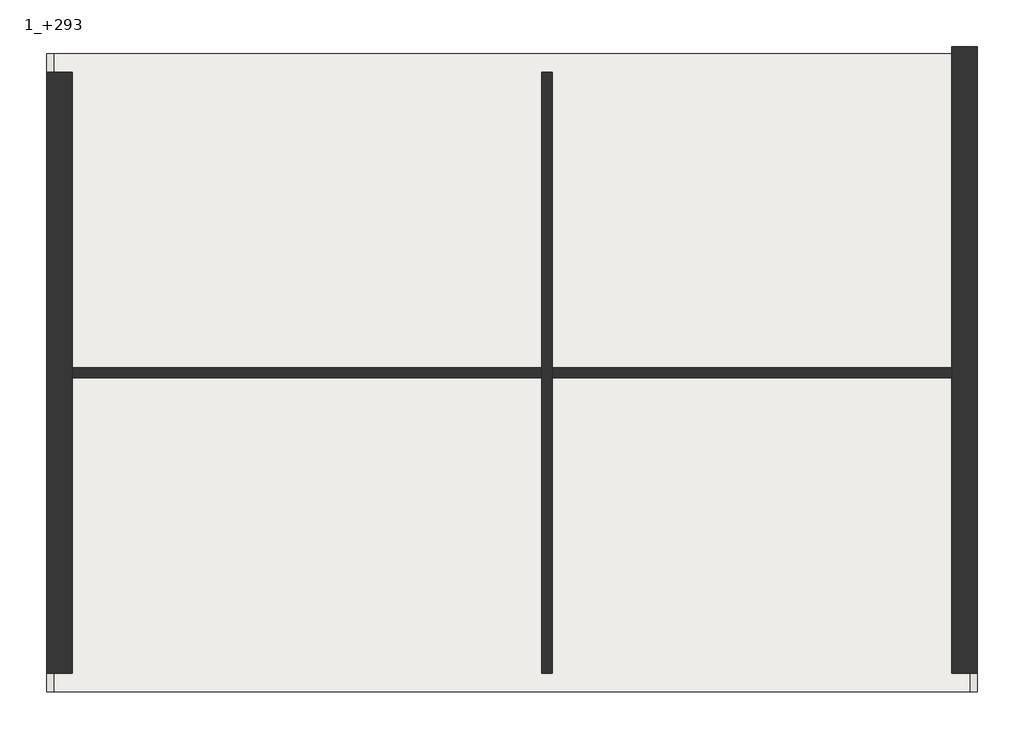
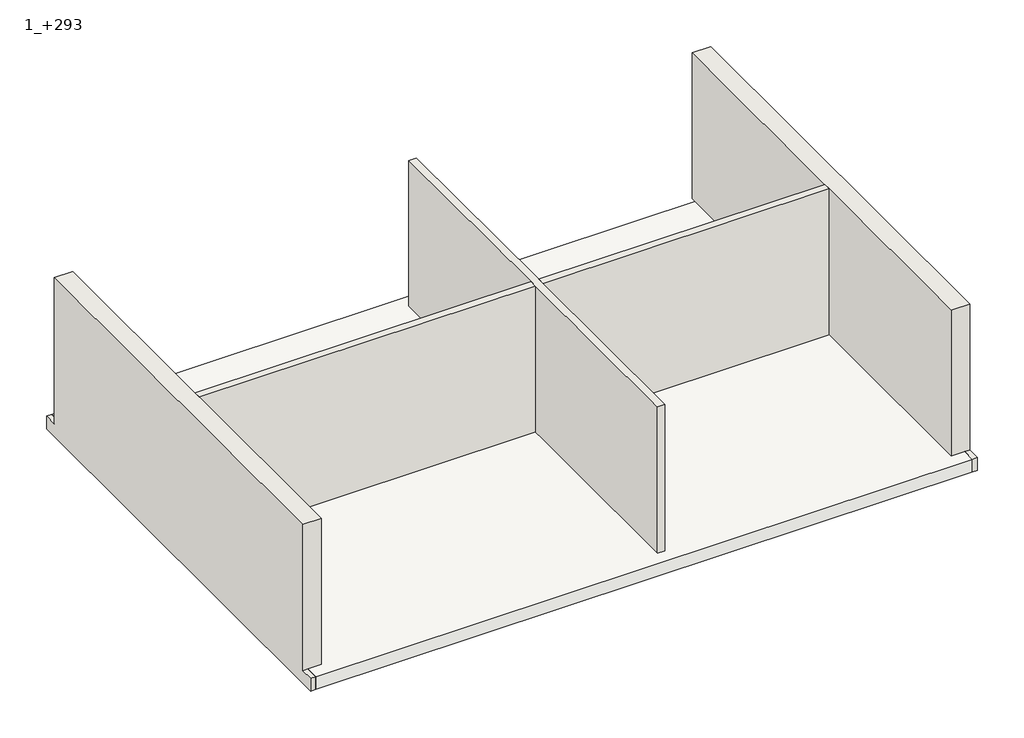
# One storey: 4 walls, 1 slab.
"""IFC4 building model written with IfcOpenShell, lengths in millimetres."""

from ifc_helpers import new_model, si_unit, frame, origin, place, context, project, spatial, polyline, outline, extrude, faceted_brep, element, save

model = new_model("IFC4")

# Units and contexts
model_context = context("Model", 3, world=origin())
ifc_project = project(units=[si_unit("LENGTHUNIT", "METRE", prefix="MILLI")], contexts=[model_context])

# Site, building, storey
site = spatial("IfcSite", under=ifc_project)
building = spatial("IfcBuilding", under=site)
storey = spatial("IfcBuildingStorey", under=building, Name="1_+293", Elevation=2930.0)

# Slab
placement = place(None, origin())
element("IfcSlab", 1, ObjectType="Floor_27", at=placement, inside=storey, context=model_context, shape_type="SweptSolid", body=[
    extrude(outline(polyline([(9636.1680841, 11934.6977103), (9636.1680841, 2764.6977103), (-3533.8319159, 2764.6977103), (-3533.8319159, 11934.6977103), (9636.1680841, 11934.6977103)])), frame((0.0, 0.0, 2660.0), z_axis=(0.0, 0.0, 1.0), x_axis=(1.0, 0.0, 0.0)), (0.0, 0.0, 1.0), 270.0),
])

# Walls
element("IfcWall", 2, ObjectType="Wall_Ext_37cm", at=placement, inside=storey, context=model_context, shape_type="Brep", body=[
    faceted_brep([(9736.1680841, 12034.6977103, 6030.0), (9736.1680841, 3034.6977103, 6030.0), (9736.1680841, 3034.6977103, 2930.0), (9736.1680841, 2764.6977103, 2930.0), (9736.1680841, 2764.6977103, 2660.0), (9736.1680841, 12034.6977103, 2660.0), (9366.1680841, 12034.6977103, 2930.0), (9366.1680841, 11664.6977103, 2930.0), (9366.1680841, 7424.6977103, 2930.0), (9366.1680841, 7274.6977103, 2930.0), (9366.1680841, 3034.6977103, 2930.0), (9366.1680841, 3034.6977103, 6030.0), (9366.1680841, 7274.6977103, 6030.0), (9366.1680841, 7424.6977103, 6030.0), (9366.1680841, 11664.6977103, 6030.0), (9366.1680841, 12034.6977103, 6030.0), (9636.1680841, 12034.6977103, 2930.0), (9636.1680841, 11934.6977103, 2930.0), (9636.1680841, 3034.6977103, 2930.0), (9636.1680841, 12034.6977103, 2660.0), (9636.1680841, 11934.6977103, 2660.0), (9636.1680841, 2764.6977103, 2660.0), (9636.1680841, 2764.6977103, 2930.0)], [[[0, 1, 2, 3, 4, 5]], [[6, 7, 8, 9, 10, 11, 12, 13, 14, 15]], [[1, 0, 15, 14, 13, 12, 11]], [[10, 9, 8, 7, 6, 16, 17, 18]], [[1, 11, 10, 18, 2]], [[0, 5, 19, 16, 6, 15]], [[18, 17, 16, 19, 20, 21, 22]], [[5, 4, 21, 20, 19]], [[3, 2, 18, 22]], [[21, 4, 3, 22]]]),
])
element("IfcWall", 3, ObjectType="Wall_Ext_37cm", at=placement, inside=storey, context=model_context, shape_type="Brep", body=[
    faceted_brep([(-3633.8319159, 3034.6977103, 6030.0), (-3633.8319159, 11664.6977103, 6030.0), (-3633.8319159, 11664.6977103, 2930.0), (-3633.8319159, 11934.6977103, 2930.0), (-3633.8319159, 11934.6977103, 2660.0), (-3633.8319159, 2764.6977103, 2660.0), (-3633.8319159, 2764.6977103, 2930.0), (-3633.8319159, 3034.6977103, 2930.0), (-3263.8319159, 3034.6977103, 2930.0), (-3263.8319159, 7274.6977103, 2930.0), (-3263.8319159, 7424.6977103, 2930.0), (-3263.8319159, 11664.6977103, 2930.0), (-3263.8319159, 11664.6977103, 6030.0), (-3263.8319159, 7424.6977103, 6030.0), (-3263.8319159, 7274.6977103, 6030.0), (-3263.8319159, 3034.6977103, 6030.0), (-3533.8319159, 3034.6977103, 2930.0), (-3533.8319159, 11664.6977103, 2930.0), (-3533.8319159, 2764.6977103, 2930.0), (-3533.8319159, 2764.6977103, 2660.0), (-3533.8319159, 11934.6977103, 2660.0), (-3533.8319159, 11934.6977103, 2930.0)], [[[0, 1, 2, 3, 4, 5, 6, 7]], [[8, 9, 10, 11, 12, 13, 14, 15]], [[1, 0, 15, 14, 13, 12]], [[11, 10, 9, 8, 16, 17]], [[17, 16, 18, 19, 20, 21]], [[20, 19, 5, 4]], [[8, 15, 0, 7, 16]], [[1, 12, 11, 17, 2]], [[18, 16, 7, 6]], [[5, 19, 18, 6]], [[3, 2, 17, 21]], [[20, 4, 3, 21]]]),
])
element("IfcWall", 4, ObjectType="Wall_Int_15 cm", at=placement, inside=storey, context=model_context, shape_type="Brep", body=[
    faceted_brep([(3476.1680841, 11664.6977103, 2930.0), (3476.1680841, 7424.6977103, 2930.0), (3476.1680841, 7274.6977103, 2930.0), (3476.1680841, 3034.6977103, 2930.0), (3476.1680841, 3034.6977103, 6030.0), (3476.1680841, 7274.6977103, 6030.0), (3476.1680841, 7424.6977103, 6030.0), (3476.1680841, 11664.6977103, 6030.0), (3626.1680841, 11664.6977103, 2930.0), (3626.1680841, 11664.6977103, 6030.0), (3626.1680841, 7424.6977103, 6030.0), (3626.1680841, 7274.6977103, 6030.0), (3626.1680841, 3034.6977103, 6030.0), (3626.1680841, 3034.6977103, 2930.0), (3626.1680841, 7274.6977103, 2930.0), (3626.1680841, 7424.6977103, 2930.0)], [[[0, 1, 2, 3, 4, 5, 6, 7]], [[8, 9, 10, 11, 12, 13, 14, 15]], [[3, 2, 1, 0, 8, 15, 14, 13]], [[7, 6, 5, 4, 12, 11, 10, 9]], [[4, 3, 13, 12]], [[0, 7, 9, 8]]]),
])
element("IfcWall", 5, ObjectType="Wall_Int_15 cm", at=placement, inside=storey, context=model_context, shape_type="Brep", body=[
    faceted_brep([(9366.1680841, 7424.6977103, 6030.0), (9366.1680841, 7424.6977103, 2930.0), (3626.1680841, 7424.6977103, 2930.0), (3626.1680841, 7424.6977103, 6030.0), (9366.1680841, 7274.6977103, 2930.0), (9366.1680841, 7274.6977103, 6030.0), (3626.1680841, 7274.6977103, 6030.0), (3626.1680841, 7274.6977103, 2930.0)], [[[0, 1, 2, 3]], [[4, 5, 6, 7]], [[1, 4, 7, 2]], [[5, 0, 3, 6]], [[1, 0, 5, 4]], [[3, 2, 7, 6]]]),
    faceted_brep([(-3263.8319159, 7424.6977103, 2930.0), (-3263.8319159, 7424.6977103, 3100.0), (-3263.8319159, 7424.6977103, 6030.0), (3476.1680841, 7424.6977103, 6030.0), (3476.1680841, 7424.6977103, 3100.0), (3476.1680841, 7424.6977103, 2930.0), (-3263.8319159, 7274.6977103, 6030.0), (-3263.8319159, 7274.6977103, 3100.0), (-3263.8319159, 7274.6977103, 2930.0), (3476.1680841, 7274.6977103, 2930.0), (3476.1680841, 7274.6977103, 3100.0), (3476.1680841, 7274.6977103, 6030.0)], [[[0, 1, 2, 3, 4, 5]], [[6, 7, 8, 9, 10, 11]], [[8, 0, 5, 9]], [[2, 6, 11, 3]], [[5, 4, 3, 11, 10, 9]], [[2, 1, 0, 8, 7, 6]]]),
])

save(model, "model.ifc")
